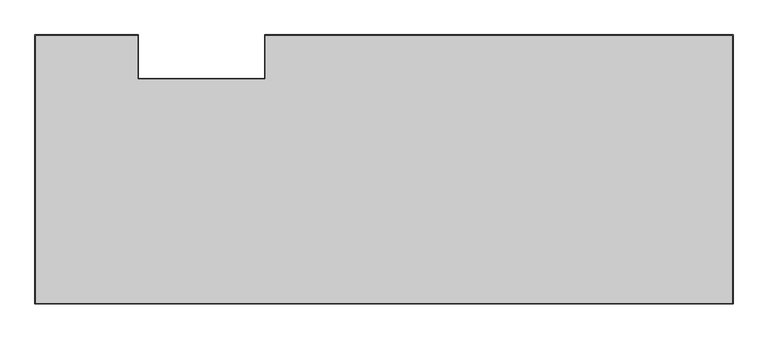
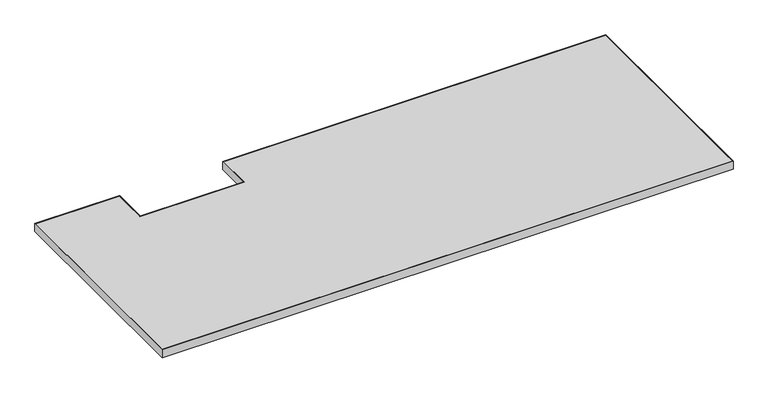
"""IFC4 building model written with IfcOpenShell, lengths in millimetres: furniture geometry."""

import ifcopenshell
import ifcopenshell.guid

model = None  # the IFC model being written
_history = None  # IfcOwnerHistory: only IFC2X3 demands one
_inside = {}  # id of a spatial element -> (the spatial element, [elements in it])
_under = {}  # id of a project, library or spatial element -> (it, [spatial elements below it])
_declared = {}  # id of a project -> (the project, [libraries it declares])
_typed = {}  # id of a type object -> (the type object, [elements of that type])
_made_of = {}  # id of a material, layer set ... -> (it, [elements and type objects made of it])


def new_model(schema):
    """Start an empty IFC model of exactly this schema.

    Asked for "IFC4X3", IfcOpenShell would pick the latest addendum, in which some entities
    have other attributes; the version numbers below select the first issue.
    IFC2X3 requires an IfcOwnerHistory on every rooted entity: one is made here for all.
    """
    global model, _history
    if schema == "IFC4X3":
        model = ifcopenshell.file(schema_version=(4, 3, 0, 0))
    else:
        model = ifcopenshell.file(schema=schema)
    _inside.clear()
    _under.clear()
    _declared.clear()
    _typed.clear()
    _made_of.clear()
    _history = None
    if model.schema == "IFC2X3":
        org = make("IfcOrganization", Name="unknown")
        user = make(
            "IfcPersonAndOrganization",
            ThePerson=make("IfcPerson", FamilyName="unknown"),
            TheOrganization=org,
        )
        app = make(
            "IfcApplication",
            ApplicationDeveloper=org,
            Version="unknown",
            ApplicationFullName="unknown",
            ApplicationIdentifier="unknown",
        )
        _history = make(
            "IfcOwnerHistory",
            OwningUser=user,
            OwningApplication=app,
            ChangeAction="ADDED",
            CreationDate=0,
        )
    return model


def make(cls, **values):
    """One entity of the class cls with the attributes given. An attribute that is None is left unset."""
    return model.create_entity(
        cls, **{name: value for name, value in values.items() if value is not None}
    )


def rooted(cls, **values):
    """An entity with a GlobalId (a new one), such as an element, a storey or a relation."""
    return make(cls, GlobalId=ifcopenshell.guid.new(), OwnerHistory=_history, **values)


def si_unit(unit_type, name, prefix=None):
    """IfcSIUnit, for example si_unit("LENGTHUNIT", "METRE", prefix="MILLI")."""
    return make("IfcSIUnit", UnitType=unit_type, Prefix=prefix, Name=name)


def assignment(units):
    """IfcUnitAssignment: the units of a project."""
    return None if units is None else make("IfcUnitAssignment", Units=units)


def point(xyz):
    """IfcCartesianPoint."""
    return None if xyz is None else make("IfcCartesianPoint", Coordinates=xyz)


def direction(xyz):
    """IfcDirection."""
    return None if xyz is None else make("IfcDirection", DirectionRatios=xyz)


def frame(location, z_axis=None, x_axis=None):
    """IfcAxis2Placement3D, a coordinate frame: its origin and axes. An axis left out is left unset."""
    return make(
        "IfcAxis2Placement3D",
        Location=point(location),
        Axis=direction(z_axis),
        RefDirection=direction(x_axis),
    )


def origin():
    """The frame at (0, 0, 0) with its axes left unset."""
    return frame((0.0, 0.0, 0.0))


def place(relative_to, where):
    """IfcLocalPlacement: puts the frame where relative to a parent placement (None: the world)."""
    return make(
        "IfcLocalPlacement", PlacementRelTo=relative_to, RelativePlacement=where
    )


def context(
    kind, dimensions, precision=None, world=None, true_north=None, identifier=None
):
    """IfcGeometricRepresentationContext, for example the 3D "Model" context."""
    return make(
        "IfcGeometricRepresentationContext",
        ContextIdentifier=identifier,
        ContextType=kind,
        CoordinateSpaceDimension=dimensions,
        Precision=precision,
        WorldCoordinateSystem=world,
        TrueNorth=true_north,
    )


def project(units=None, contexts=None):
    """IfcProject with its units and contexts."""
    return rooted(
        "IfcProject",
        Name="project",
        RepresentationContexts=contexts,
        UnitsInContext=assignment(units),
    )


def spatial(cls, under=None, at=None, **own):
    """A site, building, storey or space (cls), placed at a placement, below another one or the project."""
    s = rooted(cls, ObjectPlacement=at, **own)
    if under is not None:
        _under.setdefault(under.id(), (under, []))[1].append(s)
    return s


def polyline(points):
    """IfcPolyline through the points."""
    return make("IfcPolyline", Points=[point(p) for p in points])


def outline(outer, holes=None, kind="AREA"):
    """IfcArbitraryClosedProfileDef: a profile drawn as a closed curve; with holes, ...WithVoids."""
    if holes is None:
        return make("IfcArbitraryClosedProfileDef", ProfileType=kind, OuterCurve=outer)
    return make(
        "IfcArbitraryProfileDefWithVoids",
        ProfileType=kind,
        OuterCurve=outer,
        InnerCurves=holes,
    )


def extrude(swept, where, along, depth):
    """IfcExtrudedAreaSolid: the profile swept, set in the frame where, extruded along a direction by depth."""
    return make(
        "IfcExtrudedAreaSolid",
        SweptArea=swept,
        Position=where,
        ExtrudedDirection=direction(along),
        Depth=depth,
    )


def shape(context_of_items, identifier, shape_type, items):
    """IfcShapeRepresentation: the items that make up one representation, for example the "Body"."""
    return make(
        "IfcShapeRepresentation",
        ContextOfItems=context_of_items,
        RepresentationIdentifier=identifier,
        RepresentationType=shape_type,
        Items=items,
    )


def source(mapping_origin, context_of_items, identifier, shape_type, items):
    """IfcRepresentationMap: a shape defined once, which mapped items show again and again."""
    return make(
        "IfcRepresentationMap",
        MappingOrigin=mapping_origin,
        MappedRepresentation=shape(context_of_items, identifier, shape_type, items),
    )


def transform(
    local_origin,
    x_axis=None,
    y_axis=None,
    z_axis=None,
    scale=None,
    scale2=None,
    scale3=None,
    uniform=True,
):
    """IfcCartesianTransformationOperator3D, or its non-uniform kind. x_axis, y_axis, z_axis: its Axis1, 2, 3."""
    if uniform:
        return make(
            "IfcCartesianTransformationOperator3D",
            Axis1=direction(x_axis),
            Axis2=direction(y_axis),
            LocalOrigin=point(local_origin),
            Scale=scale,
            Axis3=direction(z_axis),
        )
    return make(
        "IfcCartesianTransformationOperator3DnonUniform",
        Axis1=direction(x_axis),
        Axis2=direction(y_axis),
        LocalOrigin=point(local_origin),
        Scale=scale,
        Axis3=direction(z_axis),
        Scale2=scale2,
        Scale3=scale3,
    )


def mapped(mapping_source, mapping_target):
    """IfcMappedItem: shows the shape of a source again, moved by a transform."""
    return make(
        "IfcMappedItem", MappingSource=mapping_source, MappingTarget=mapping_target
    )


def made_of(thing, what):
    """Note that an element or type object is made of a material, layer set ...; save() writes the relation."""
    if what is not None:
        _made_of.setdefault(what.id(), (what, []))[1].append(thing)
    return thing


def element(
    cls,
    number,
    at=None,
    inside=None,
    cuts=None,
    type_object=None,
    material=None,
    context=None,
    identifier="Body",
    shape_type=None,
    held_by="IfcProductDefinitionShape",
    body=None,
    shapes=None,
    **own,
):
    """One element of the class cls, such as IfcWall. Its Tag is "e" and its number.

    at: its placement. inside: the storey or other place that contains it. cuts: it is an
    opening in that element (IfcRelVoidsElement). A single representation is given by context,
    identifier, shape_type and body (its items); several are given by shapes. held_by: the class
    of the entity that holds the representations. save() writes the other relations.
    """
    e = rooted(cls, Tag="e%d" % number, ObjectPlacement=at, **own)
    if body is not None:
        shapes = [shape(context, identifier, shape_type, body)]
    if shapes is not None:
        e.Representation = make(held_by, Representations=shapes)
    if inside is not None:
        _inside.setdefault(inside.id(), (inside, []))[1].append(e)
    if cuts is not None:
        rooted(
            "IfcRelVoidsElement", RelatingBuildingElement=cuts, RelatedOpeningElement=e
        )
    if type_object is not None:
        _typed.setdefault(type_object.id(), (type_object, []))[1].append(e)
    return made_of(e, material)


def aggregate(whole, parts):
    """IfcRelAggregates: a whole, such as a stair, and the parts it consists of."""
    return rooted("IfcRelAggregates", RelatingObject=whole, RelatedObjects=parts)


def save(model, path):
    """Write the relations noted so far, then the file.

    IfcRelAggregates (storeys below a building ...), IfcRelContainedInSpatialStructure (elements
    in a storey), IfcRelDefinesByType, IfcRelAssociatesMaterial and IfcRelDeclares: one each for
    every whole, place, type object, material and project.
    """
    for whole, parts in _under.values():
        aggregate(whole, parts)
    for where, things in _inside.values():
        rooted(
            "IfcRelContainedInSpatialStructure",
            RelatedElements=things,
            RelatingStructure=where,
        )
    for kind, things in _typed.values():
        rooted("IfcRelDefinesByType", RelatedObjects=things, RelatingType=kind)
    for what, things in _made_of.values():
        rooted("IfcRelAssociatesMaterial", RelatedObjects=things, RelatingMaterial=what)
    for by, libraries in _declared.values():
        rooted("IfcRelDeclares", RelatingContext=by, RelatedDefinitions=libraries)
    model.write(path)


def furniture_421cf11e(model_context):
    return source(origin(), model_context, "Body", "SweptSolid", [
        extrude(outline(polyline([(1825.7520029, -54.1019984), (1825.7520029, -758.8250121), (0.0, -758.8250121), (0.0, -54.1019984), (270.8021003, -54.1019984), (270.8021003, -168.1480031), (600.4941129, -168.1480031), (600.4941129, -54.1019984), (1825.7520029, -54.1019984)]), holes=[polyline([(1.6002, -55.7021984), (1.6002, -757.2248121), (1824.1518029, -757.2248121), (1824.1518029, -55.7021984), (602.0943129, -55.7021984), (602.0943129, -169.7482031), (269.2019003, -169.7482031), (269.2019003, -55.7021984), (1.6002, -55.7021984)])]), frame((0.0, 0.0, 697.23), z_axis=(0.0, 0.0, 1.0), x_axis=(1.0, 0.0, 0.0)), (0.0, 0.0, 1.0), 26.67),
        extrude(outline(polyline([(1.6002, -757.2248121), (1.6002, -55.7021984), (269.2019003, -55.7021984), (269.2019003, -169.7482031), (602.0943129, -169.7482031), (602.0943129, -55.7021984), (1824.1518029, -55.7021984), (1824.1518029, -757.2248121), (1.6002, -757.2248121)])), frame((0.0, 0.0, 697.23), z_axis=(0.0, 0.0, 1.0), x_axis=(1.0, 0.0, 0.0)), (0.0, 0.0, 1.0), 26.67),
    ])


if __name__ == "__main__":
    model = new_model("IFC4")
    model_context = context("Model", 3, world=origin())
    ifc_project = project(units=[si_unit("LENGTHUNIT", "METRE", prefix="MILLI")], contexts=[model_context])
    site = spatial("IfcSite", under=ifc_project)
    building = spatial("IfcBuilding", under=site)
    placement = place(None, origin())
    furniture_shape = furniture_421cf11e(model_context)
    element("IfcFurniture", 1, at=placement, inside=building, context=model_context, shape_type="MappedRepresentation", body=[
        mapped(furniture_shape, transform((0.0, 0.0, 0.0), x_axis=(1.0, 0.0, 0.0), y_axis=(0.0, 1.0, 0.0), z_axis=(0.0, 0.0, 1.0))),
    ])
    save(model, "model.ifc")
